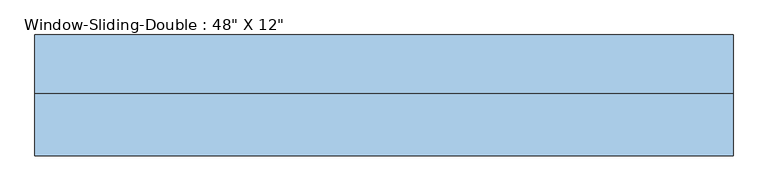
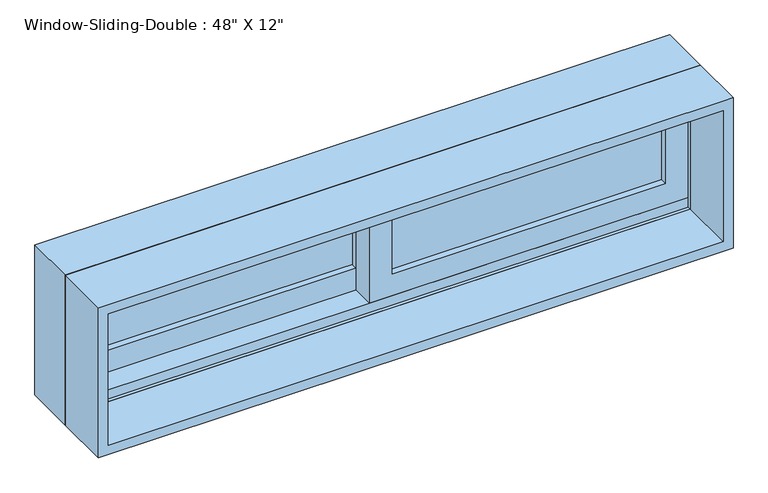
"""IFC4 building model written with IfcOpenShell, lengths in millimetres: window geometry."""

import ifcopenshell
import ifcopenshell.guid

model = None  # the IFC model being written
_history = None  # IfcOwnerHistory: only IFC2X3 demands one
_inside = {}  # id of a spatial element -> (the spatial element, [elements in it])
_under = {}  # id of a project, library or spatial element -> (it, [spatial elements below it])
_declared = {}  # id of a project -> (the project, [libraries it declares])
_typed = {}  # id of a type object -> (the type object, [elements of that type])
_made_of = {}  # id of a material, layer set ... -> (it, [elements and type objects made of it])


def new_model(schema):
    """Start an empty IFC model of exactly this schema.

    Asked for "IFC4X3", IfcOpenShell would pick the latest addendum, in which some entities
    have other attributes; the version numbers below select the first issue.
    IFC2X3 requires an IfcOwnerHistory on every rooted entity: one is made here for all.
    """
    global model, _history
    if schema == "IFC4X3":
        model = ifcopenshell.file(schema_version=(4, 3, 0, 0))
    else:
        model = ifcopenshell.file(schema=schema)
    _inside.clear()
    _under.clear()
    _declared.clear()
    _typed.clear()
    _made_of.clear()
    _history = None
    if model.schema == "IFC2X3":
        org = make("IfcOrganization", Name="unknown")
        user = make(
            "IfcPersonAndOrganization",
            ThePerson=make("IfcPerson", FamilyName="unknown"),
            TheOrganization=org,
        )
        app = make(
            "IfcApplication",
            ApplicationDeveloper=org,
            Version="unknown",
            ApplicationFullName="unknown",
            ApplicationIdentifier="unknown",
        )
        _history = make(
            "IfcOwnerHistory",
            OwningUser=user,
            OwningApplication=app,
            ChangeAction="ADDED",
            CreationDate=0,
        )
    return model


def make(cls, **values):
    """One entity of the class cls with the attributes given. An attribute that is None is left unset."""
    return model.create_entity(
        cls, **{name: value for name, value in values.items() if value is not None}
    )


def rooted(cls, **values):
    """An entity with a GlobalId (a new one), such as an element, a storey or a relation."""
    return make(cls, GlobalId=ifcopenshell.guid.new(), OwnerHistory=_history, **values)


def si_unit(unit_type, name, prefix=None):
    """IfcSIUnit, for example si_unit("LENGTHUNIT", "METRE", prefix="MILLI")."""
    return make("IfcSIUnit", UnitType=unit_type, Prefix=prefix, Name=name)


def assignment(units):
    """IfcUnitAssignment: the units of a project."""
    return None if units is None else make("IfcUnitAssignment", Units=units)


def point(xyz):
    """IfcCartesianPoint."""
    return None if xyz is None else make("IfcCartesianPoint", Coordinates=xyz)


def direction(xyz):
    """IfcDirection."""
    return None if xyz is None else make("IfcDirection", DirectionRatios=xyz)


def frame(location, z_axis=None, x_axis=None):
    """IfcAxis2Placement3D, a coordinate frame: its origin and axes. An axis left out is left unset."""
    return make(
        "IfcAxis2Placement3D",
        Location=point(location),
        Axis=direction(z_axis),
        RefDirection=direction(x_axis),
    )


def origin():
    """The frame at (0, 0, 0) with its axes left unset."""
    return frame((0.0, 0.0, 0.0))


def place(relative_to, where):
    """IfcLocalPlacement: puts the frame where relative to a parent placement (None: the world)."""
    return make(
        "IfcLocalPlacement", PlacementRelTo=relative_to, RelativePlacement=where
    )


def context(
    kind, dimensions, precision=None, world=None, true_north=None, identifier=None
):
    """IfcGeometricRepresentationContext, for example the 3D "Model" context."""
    return make(
        "IfcGeometricRepresentationContext",
        ContextIdentifier=identifier,
        ContextType=kind,
        CoordinateSpaceDimension=dimensions,
        Precision=precision,
        WorldCoordinateSystem=world,
        TrueNorth=true_north,
    )


def project(units=None, contexts=None):
    """IfcProject with its units and contexts."""
    return rooted(
        "IfcProject",
        Name="project",
        RepresentationContexts=contexts,
        UnitsInContext=assignment(units),
    )


def spatial(cls, under=None, at=None, **own):
    """A site, building, storey or space (cls), placed at a placement, below another one or the project."""
    s = rooted(cls, ObjectPlacement=at, **own)
    if under is not None:
        _under.setdefault(under.id(), (under, []))[1].append(s)
    return s


def polyline(points):
    """IfcPolyline through the points."""
    return make("IfcPolyline", Points=[point(p) for p in points])


def outline(outer, holes=None, kind="AREA"):
    """IfcArbitraryClosedProfileDef: a profile drawn as a closed curve; with holes, ...WithVoids."""
    if holes is None:
        return make("IfcArbitraryClosedProfileDef", ProfileType=kind, OuterCurve=outer)
    return make(
        "IfcArbitraryProfileDefWithVoids",
        ProfileType=kind,
        OuterCurve=outer,
        InnerCurves=holes,
    )


def extrude(swept, where, along, depth):
    """IfcExtrudedAreaSolid: the profile swept, set in the frame where, extruded along a direction by depth."""
    return make(
        "IfcExtrudedAreaSolid",
        SweptArea=swept,
        Position=where,
        ExtrudedDirection=direction(along),
        Depth=depth,
    )


def faces_of(points, faces, orient=None, outer=None):
    """IfcFace entities. A face is a list of loops; a loop is a list of indices into points, from 0.

    orient and outer hold one flag for each loop. By default every Orientation is true, the
    first loop of a face is its IfcFaceOuterBound and the others are IfcFaceBound.
    """
    made = []
    for i, loops in enumerate(faces):
        bounds = []
        for j, loop in enumerate(loops):
            is_outer = j == 0 if outer is None else outer[i][j]
            bounds.append(
                make(
                    "IfcFaceOuterBound" if is_outer else "IfcFaceBound",
                    Bound=make("IfcPolyLoop", Polygon=[points[k] for k in loop]),
                    Orientation=True if orient is None else orient[i][j],
                )
            )
        made.append(make("IfcFace", Bounds=bounds))
    return made


def faceted_brep(points, faces, orient=None, outer=None, voids=None):
    """IfcFacetedBrep: a solid bounded by flat faces; with voids (closed shells), ...WithVoids."""
    shared = [point(p) for p in points]
    hull = make("IfcClosedShell", CfsFaces=faces_of(shared, faces, orient, outer))
    if voids is None:
        return make("IfcFacetedBrep", Outer=hull)
    return make(
        "IfcFacetedBrepWithVoids",
        Outer=hull,
        Voids=[
            make(cls, CfsFaces=faces_of(shared, fs, o, b)) for cls, fs, o, b in voids
        ],
    )


def shape(context_of_items, identifier, shape_type, items):
    """IfcShapeRepresentation: the items that make up one representation, for example the "Body"."""
    return make(
        "IfcShapeRepresentation",
        ContextOfItems=context_of_items,
        RepresentationIdentifier=identifier,
        RepresentationType=shape_type,
        Items=items,
    )


def source(mapping_origin, context_of_items, identifier, shape_type, items):
    """IfcRepresentationMap: a shape defined once, which mapped items show again and again."""
    return make(
        "IfcRepresentationMap",
        MappingOrigin=mapping_origin,
        MappedRepresentation=shape(context_of_items, identifier, shape_type, items),
    )


def transform(
    local_origin,
    x_axis=None,
    y_axis=None,
    z_axis=None,
    scale=None,
    scale2=None,
    scale3=None,
    uniform=True,
):
    """IfcCartesianTransformationOperator3D, or its non-uniform kind. x_axis, y_axis, z_axis: its Axis1, 2, 3."""
    if uniform:
        return make(
            "IfcCartesianTransformationOperator3D",
            Axis1=direction(x_axis),
            Axis2=direction(y_axis),
            LocalOrigin=point(local_origin),
            Scale=scale,
            Axis3=direction(z_axis),
        )
    return make(
        "IfcCartesianTransformationOperator3DnonUniform",
        Axis1=direction(x_axis),
        Axis2=direction(y_axis),
        LocalOrigin=point(local_origin),
        Scale=scale,
        Axis3=direction(z_axis),
        Scale2=scale2,
        Scale3=scale3,
    )


def mapped(mapping_source, mapping_target):
    """IfcMappedItem: shows the shape of a source again, moved by a transform."""
    return make(
        "IfcMappedItem", MappingSource=mapping_source, MappingTarget=mapping_target
    )


def made_of(thing, what):
    """Note that an element or type object is made of a material, layer set ...; save() writes the relation."""
    if what is not None:
        _made_of.setdefault(what.id(), (what, []))[1].append(thing)
    return thing


def element(
    cls,
    number,
    at=None,
    inside=None,
    cuts=None,
    type_object=None,
    material=None,
    context=None,
    identifier="Body",
    shape_type=None,
    held_by="IfcProductDefinitionShape",
    body=None,
    shapes=None,
    **own,
):
    """One element of the class cls, such as IfcWall. Its Tag is "e" and its number.

    at: its placement. inside: the storey or other place that contains it. cuts: it is an
    opening in that element (IfcRelVoidsElement). A single representation is given by context,
    identifier, shape_type and body (its items); several are given by shapes. held_by: the class
    of the entity that holds the representations. save() writes the other relations.
    """
    e = rooted(cls, Tag="e%d" % number, ObjectPlacement=at, **own)
    if body is not None:
        shapes = [shape(context, identifier, shape_type, body)]
    if shapes is not None:
        e.Representation = make(held_by, Representations=shapes)
    if inside is not None:
        _inside.setdefault(inside.id(), (inside, []))[1].append(e)
    if cuts is not None:
        rooted(
            "IfcRelVoidsElement", RelatingBuildingElement=cuts, RelatedOpeningElement=e
        )
    if type_object is not None:
        _typed.setdefault(type_object.id(), (type_object, []))[1].append(e)
    return made_of(e, material)


def aggregate(whole, parts):
    """IfcRelAggregates: a whole, such as a stair, and the parts it consists of."""
    return rooted("IfcRelAggregates", RelatingObject=whole, RelatedObjects=parts)


def save(model, path):
    """Write the relations noted so far, then the file.

    IfcRelAggregates (storeys below a building ...), IfcRelContainedInSpatialStructure (elements
    in a storey), IfcRelDefinesByType, IfcRelAssociatesMaterial and IfcRelDeclares: one each for
    every whole, place, type object, material and project.
    """
    for whole, parts in _under.values():
        aggregate(whole, parts)
    for where, things in _inside.values():
        rooted(
            "IfcRelContainedInSpatialStructure",
            RelatedElements=things,
            RelatingStructure=where,
        )
    for kind, things in _typed.values():
        rooted("IfcRelDefinesByType", RelatedObjects=things, RelatingType=kind)
    for what, things in _made_of.values():
        rooted("IfcRelAssociatesMaterial", RelatedObjects=things, RelatingMaterial=what)
    for by, libraries in _declared.values():
        rooted("IfcRelDeclares", RelatingContext=by, RelatedDefinitions=libraries)
    model.write(path)


def window_1f194eba(model_context):
    return source(origin(), model_context, "Body", "SolidModel", [
        faceted_brep([(-609.6, 9.68375, 914.4), (-609.6, 111.28375, 914.4), (609.6, 111.28375, 914.4), (609.6, 9.68375, 914.4), (-568.6778905, 111.28375, 1178.2778905), (-568.6778905, 104.93375, 1178.2778905), (-568.6778905, 104.93375, 933.45), (-568.6778905, 111.28375, 933.45), (568.6778905, 104.93375, 1178.2778905), (568.6778905, 104.93375, 933.45), (590.55, 104.93375, 933.45), (590.55, 104.93375, 1200.15), (-590.55, 104.93375, 1200.15), (-590.55, 104.93375, 933.45), (-590.55, 9.68375, 1200.15), (-590.55, 9.68375, 933.45), (-590.55, 16.03375, 933.45), (-590.55, 16.03375, 952.5), (-590.55, 60.48375, 952.5), (-590.55, 60.48375, 933.45), (609.6, 9.68375, 1219.2), (-609.6, 9.68375, 1219.2), (590.55, 9.68375, 1200.15), (590.55, 9.68375, 933.45), (-609.6, 111.28375, 1219.2), (609.6, 111.28375, 1219.2), (568.6778905, 111.28375, 933.45), (568.6778905, 111.28375, 1178.2778905), (590.55, 60.48375, 933.45), (590.55, 60.48375, 952.5), (590.55, 16.03375, 952.5), (590.55, 16.03375, 933.45)], [[[0, 1, 2, 3]], [[4, 5, 6, 7]], [[5, 8, 9, 10, 11, 12, 13, 6]], [[12, 14, 15, 16, 17, 18, 19, 13]], [[0, 3, 20, 21], [22, 23, 15, 14]], [[24, 1, 0, 21]], [[2, 1, 24, 25], [4, 7, 26, 27]], [[5, 4, 27, 8]], [[12, 11, 22, 14]], [[21, 20, 25, 24]], [[8, 27, 26, 9]], [[22, 11, 10, 28, 29, 30, 31, 23]], [[20, 3, 2, 25]], [[26, 7, 6, 13, 19, 28, 10, 9]], [[28, 19, 18, 29]], [[29, 18, 17, 30]], [[30, 17, 16, 31]], [[15, 23, 31, 16]]]),
        extrude(outline(polyline([(1219.2, -609.6), (914.4, -609.6), (914.4, 609.6), (1219.2, 609.6), (1219.2, -609.6)]), holes=[polyline([(1200.15, 590.55), (933.45, 590.55), (933.45, -590.55), (1200.15, -590.55), (1200.15, 590.55)])]), frame((0.0, -99.85375, 0.0), z_axis=(0.0, 1.0, 0.0), x_axis=(0.0, 0.0, 1.0)), (0.0, 0.0, 1.0), 109.5375),
        extrude(outline(polyline([(546.1, 47.78375), (546.1, 41.43375), (22.225, 41.43375), (22.225, 47.78375), (546.1, 47.78375)])), frame((0.0, 0.0, 996.95), z_axis=(0.0, 0.0, 1.0), x_axis=(1.0, 0.0, 0.0)), (0.0, 0.0, 1.0), 158.75),
        extrude(outline(polyline([(546.1, 35.08375), (546.1, 28.73375), (22.225, 28.73375), (22.225, 35.08375), (546.1, 35.08375)])), frame((0.0, 0.0, 996.95), z_axis=(0.0, 0.0, 1.0), x_axis=(1.0, 0.0, 0.0)), (0.0, 0.0, 1.0), 158.75),
        extrude(outline(polyline([(-22.225, 92.23375), (-22.225, 85.88375), (-546.1, 85.88375), (-546.1, 92.23375), (-22.225, 92.23375)])), frame((0.0, 0.0, 996.95), z_axis=(0.0, 0.0, 1.0), x_axis=(1.0, 0.0, 0.0)), (0.0, 0.0, 1.0), 158.75),
        extrude(outline(polyline([(-22.225, 79.53375), (-22.225, 73.18375), (-546.1, 73.18375), (-546.1, 79.53375), (-22.225, 79.53375)])), frame((0.0, 0.0, 996.95), z_axis=(0.0, 0.0, 1.0), x_axis=(1.0, 0.0, 0.0)), (0.0, 0.0, 1.0), 158.75),
        extrude(outline(polyline([(933.45, -590.55), (933.45, 22.225), (1200.15, 22.225), (1200.15, -590.55), (933.45, -590.55)]), holes=[polyline([(1155.7, -22.225), (996.95, -22.225), (996.95, -546.1), (1155.7, -546.1), (1155.7, -22.225)])]), frame((0.0, 60.48375, 0.0), z_axis=(0.0, 1.0, 0.0), x_axis=(0.0, 0.0, 1.0)), (0.0, 0.0, 1.0), 44.45),
        extrude(outline(polyline([(952.5, 590.55), (1200.15, 590.55), (1200.15, -22.225), (952.5, -22.225), (952.5, 590.55)]), holes=[polyline([(996.95, 22.225), (1155.7, 22.225), (1155.7, 546.1), (996.95, 546.1), (996.95, 22.225)])]), frame((0.0, 16.03375, 0.0), z_axis=(0.0, 1.0, 0.0), x_axis=(0.0, 0.0, 1.0)), (0.0, 0.0, 1.0), 44.45),
    ])


if __name__ == "__main__":
    model = new_model("IFC4")
    model_context = context("Model", 3, world=origin())
    ifc_project = project(units=[si_unit("LENGTHUNIT", "METRE", prefix="MILLI")], contexts=[model_context])
    site = spatial("IfcSite", under=ifc_project)
    building = spatial("IfcBuilding", under=site)
    placement = place(None, origin())
    window_shape = window_1f194eba(model_context)
    element("IfcWindow", 1, ObjectType="Window-Sliding-Double : 48\" X 12\"", at=placement, inside=building, context=model_context, shape_type="MappedRepresentation", body=[
        mapped(window_shape, transform((0.0, 0.0, 0.0), x_axis=(1.0, 0.0, 0.0), y_axis=(0.0, 1.0, 0.0), z_axis=(0.0, 0.0, 1.0))),
    ])
    save(model, "model.ifc")
